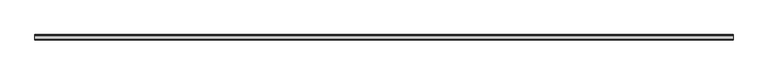
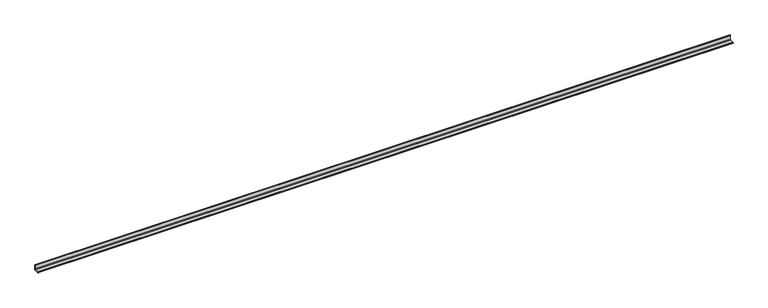
"""IFC4 building model written with IfcOpenShell, lengths in millimetres: beam geometry."""

from ifc_helpers import new_model, si_unit, point, frame, frame_2d, origin, place, context, project, spatial, polyline, circle_curve, trimmed, segment, composite_curve, outline, extrude, source, transform, mapped, element, save


def beam_401a13d3(model_context):
    return source(origin(), model_context, "Body", "SweptSolid", [
        extrude(outline(composite_curve([segment(polyline([(21.3, -21.3), (-53.7, -21.3), (-53.7, -18.3)]), True, "CONTINUOUS"), segment(trimmed(circle_curve(frame_2d((-48.7, -18.3)), 5.0), [point((-53.7, -18.3))], [point((-48.7, -13.3))], False, "CARTESIAN"), True, "CONTINUOUS"), segment(polyline([(-48.7, -13.3), (5.3, -13.3)]), True, "CONTINUOUS"), segment(trimmed(circle_curve(frame_2d((5.3, -5.3)), 8.0), [point((5.3, -13.3))], [point((13.3, -5.3))], True, "CARTESIAN"), True, "CONTINUOUS"), segment(polyline([(13.3, -5.3), (13.3, 48.7)]), True, "CONTINUOUS"), segment(trimmed(circle_curve(frame_2d((18.3, 48.7)), 5.0), [point((13.3, 48.7))], [point((18.3, 53.7))], False, "CARTESIAN"), True, "CONTINUOUS"), segment(polyline([(18.3, 53.7), (21.3, 53.7), (21.3, -21.3)]), True, "CONTINUOUS")], self_intersect=False)), frame((-4899.5, 0.0, 0.0), z_axis=(1.0, 0.0, 0.0), x_axis=(0.0, 1.0, 0.0)), (0.0, 0.0, 1.0), 9769.0),
    ])


if __name__ == "__main__":
    model = new_model("IFC4")
    model_context = context("Model", 3, world=origin())
    ifc_project = project(units=[si_unit("LENGTHUNIT", "METRE", prefix="MILLI")], contexts=[model_context])
    site = spatial("IfcSite", under=ifc_project)
    building = spatial("IfcBuilding", under=site)
    placement = place(None, origin())
    beam_shape = beam_401a13d3(model_context)
    element("IfcBeam", 1, at=placement, inside=building, context=model_context, shape_type="MappedRepresentation", body=[
        mapped(beam_shape, transform((0.0, 0.0, 0.0), x_axis=(1.0, 0.0, 0.0), y_axis=(0.0, 1.0, 0.0), z_axis=(0.0, 0.0, 1.0))),
    ])
    save(model, "model.ifc")
